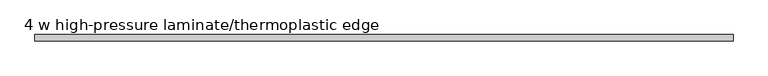
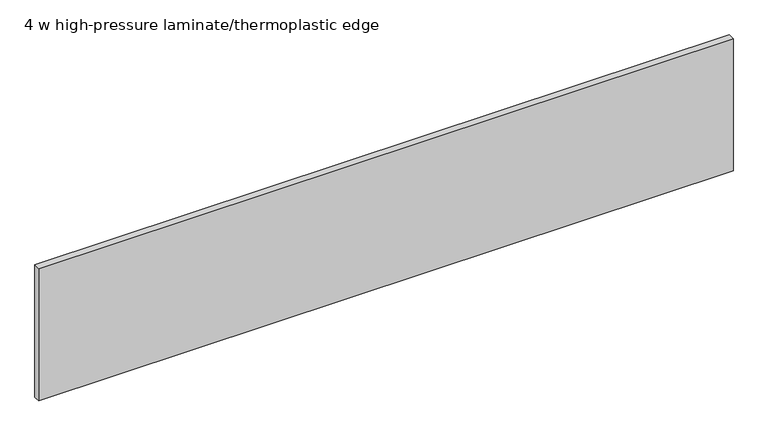
"""IFC4 building model written with IfcOpenShell, lengths in millimetres: furniture geometry, 4 w high-pressure laminate/thermoplastic edge."""

from ifc_helpers import new_model, si_unit, origin, origin_with_axes, place, context, project, spatial, polyline, outline, extrude, source, transform, mapped, element, save


def furniture_4_w_high_pressure_laminate_thermoplastic_edge_25c8340a(model_context):
    return source(origin(), model_context, "Body", "SweptSolid", [
        extrude(outline(polyline([(0.5999988, 0.0), (0.5999988, 10.9999997), (1218.6000366, 10.9999997), (1218.6000366, 0.0), (0.5999988, 0.0)])), origin_with_axes(), (0.0, 0.0, 1.0), 245.349995),
    ])


if __name__ == "__main__":
    model = new_model("IFC4")
    model_context = context("Model", 3, world=origin())
    ifc_project = project(units=[si_unit("LENGTHUNIT", "METRE", prefix="MILLI")], contexts=[model_context])
    site = spatial("IfcSite", under=ifc_project)
    building = spatial("IfcBuilding", under=site)
    placement = place(None, origin())
    furniture_4_w_high_pressure_laminate_thermoplastic_edge_shape = furniture_4_w_high_pressure_laminate_thermoplastic_edge_25c8340a(model_context)
    element("IfcFurniture", 1, ObjectType="4 w high-pressure laminate/thermoplastic edge", at=placement, inside=building, context=model_context, shape_type="MappedRepresentation", body=[
        mapped(furniture_4_w_high_pressure_laminate_thermoplastic_edge_shape, transform((0.0, 0.0, 0.0), x_axis=(1.0, 0.0, 0.0), y_axis=(0.0, 1.0, 0.0), z_axis=(0.0, 0.0, 1.0))),
    ])
    save(model, "model.ifc")
